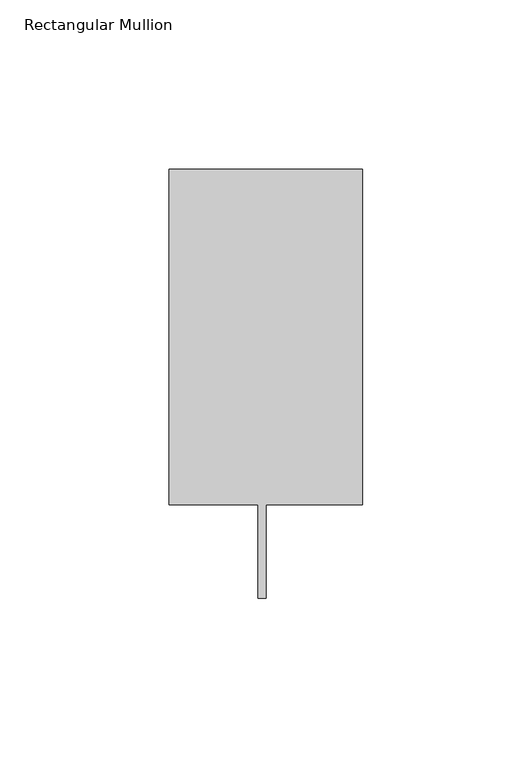
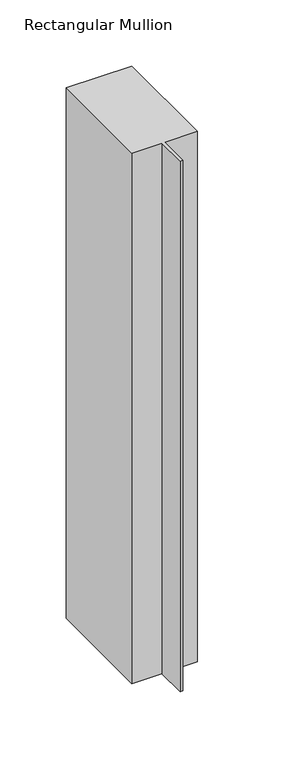
"""IFC4 building model written with IfcOpenShell, lengths in millimetres: member geometry, Rectangular Mullion."""

from ifc_helpers import new_model, si_unit, frame, origin, place, context, project, spatial, polyline, outline, extrude, source, transform, mapped, element, save


def rectangular_mullion_1da308d9(model_context):
    return source(origin(), model_context, "Body", "SweptSolid", [
        extrude(outline(polyline([(0.0, 138.3252808), (0.0, 39.3898437), (-28.575, 39.3898437), (-28.575, 11.7038437), (-30.9626, 11.7038437), (-30.9626, 39.3898437), (-57.15, 39.3898438), (-57.15, 138.3252808), (0.0, 138.3252808)])), frame((0.0, 0.0, -488.6425374), z_axis=(0.0, 0.0, 1.0), x_axis=(1.0, 0.0, 0.0)), (0.0, 0.0, 1.0), 488.6425374),
    ])


if __name__ == "__main__":
    model = new_model("IFC4")
    model_context = context("Model", 3, world=origin())
    ifc_project = project(units=[si_unit("LENGTHUNIT", "METRE", prefix="MILLI")], contexts=[model_context])
    site = spatial("IfcSite", under=ifc_project)
    building = spatial("IfcBuilding", under=site)
    placement = place(None, origin())
    rectangular_mullion_shape = rectangular_mullion_1da308d9(model_context)
    element("IfcMember", 1, ObjectType="Rectangular Mullion", at=placement, inside=building, context=model_context, shape_type="MappedRepresentation", body=[
        mapped(rectangular_mullion_shape, transform((0.0, 0.0, 0.0), x_axis=(1.0, 0.0, 0.0), y_axis=(0.0, 1.0, 0.0), z_axis=(0.0, 0.0, 1.0))),
    ])
    save(model, "model.ifc")
